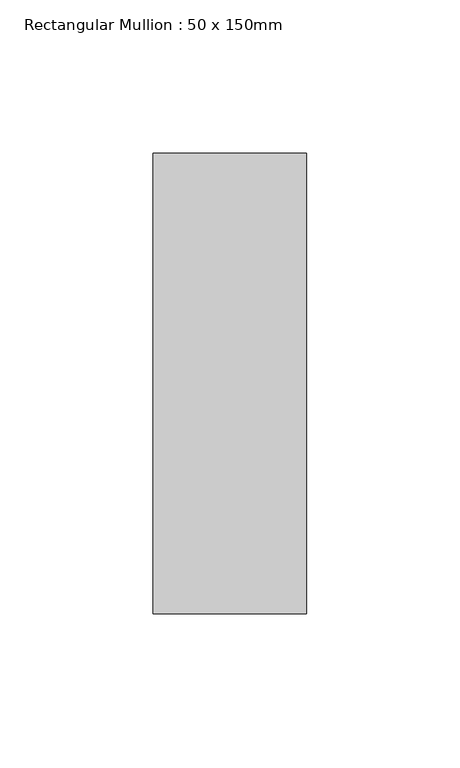
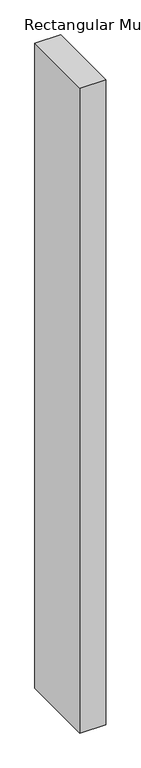
"""IFC4 building model written with IfcOpenShell, lengths in millimetres: member geometry, Rectangular Mullion : 50 x 150mm."""

from ifc_helpers import new_model, si_unit, frame, origin, place, context, project, spatial, polyline, outline, extrude, source, transform, mapped, element, save


def rectangular_mullion_50_x_150mm_bd370109(model_context):
    return source(origin(), model_context, "Body", "SweptSolid", [
        extrude(outline(polyline([(25.0, 75.0), (25.0, -75.0), (-25.0, -75.0), (-25.0, 75.0), (25.0, 75.0)])), frame((0.0, 0.0, -1315.625), z_axis=(0.0, 0.0, 1.0), x_axis=(1.0, 0.0, 0.0)), (0.0, 0.0, 1.0), 1315.625),
    ])


if __name__ == "__main__":
    model = new_model("IFC4")
    model_context = context("Model", 3, world=origin())
    ifc_project = project(units=[si_unit("LENGTHUNIT", "METRE", prefix="MILLI")], contexts=[model_context])
    site = spatial("IfcSite", under=ifc_project)
    building = spatial("IfcBuilding", under=site)
    placement = place(None, origin())
    rectangular_mullion_50_x_150mm_shape = rectangular_mullion_50_x_150mm_bd370109(model_context)
    element("IfcMember", 1, ObjectType="Rectangular Mullion : 50 x 150mm", at=placement, inside=building, context=model_context, shape_type="MappedRepresentation", body=[
        mapped(rectangular_mullion_50_x_150mm_shape, transform((0.0, 0.0, 0.0), x_axis=(1.0, 0.0, 0.0), y_axis=(0.0, 1.0, 0.0), z_axis=(0.0, 0.0, 1.0))),
    ])
    save(model, "model.ifc")
